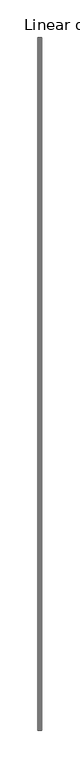
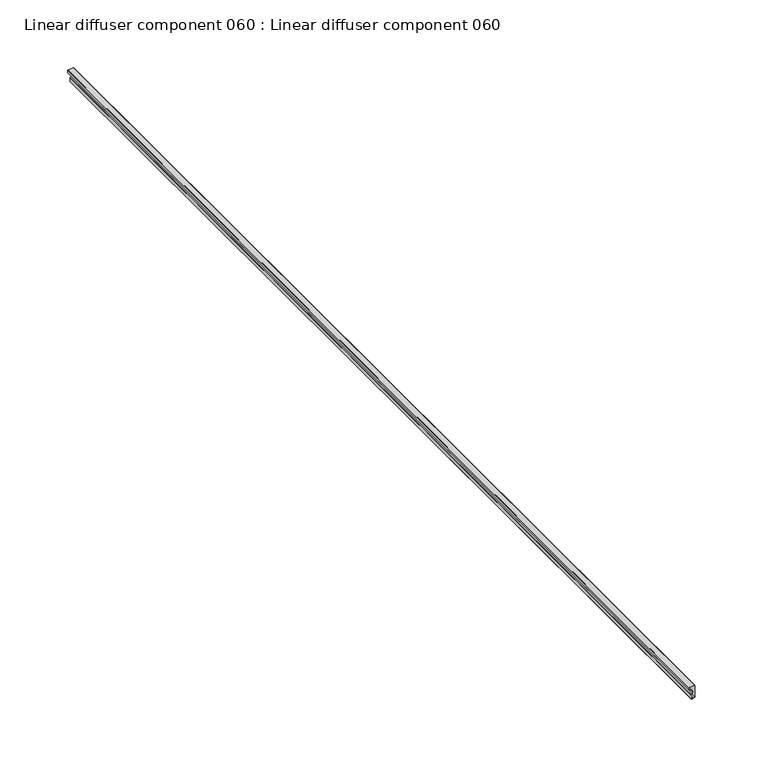
"""IFC4 building model written with IfcOpenShell, lengths in millimetres: proxy geometry, Linear diffuser component 060 : Linear diffuser component 060."""

from ifc_helpers import new_model, si_unit, origin, place, context, project, spatial, triangles, source, transform, mapped, element, save


def linear_diffuser_component_060_linear_diffuser_component_060_1bf786c4(model_context):
    return source(origin(), model_context, "Body", "Tessellation", [
        triangles([(37372.2606995, -19576.8259827, 2979.0225243), (37372.2606995, -18662.4259827, 2979.0225243), (37372.4885925, -18662.4259827, 2978.7042297), (37372.4885925, -19576.8259827, 2978.7042297), (37372.1002441, -18662.4259827, 2978.7042297), (37372.1002441, -19576.8259827, 2978.7042297), (37372.1002441, -18662.4259827, 2975.350074), (37372.1002441, -19576.8259827, 2975.350074), (37372.490918, -19576.8259827, 2974.9620163), (37372.490918, -18662.4259827, 2974.9620163), (37373.5164368, -18662.4259827, 2974.9620163), (37373.5164368, -19576.8259827, 2974.9620163), (37373.5164368, -18662.4259827, 2975.7407478), (37373.5164368, -19576.8259827, 2975.7407478), (37375.1093628, -18662.4259827, 2975.7407478), (37375.1093628, -19576.8259827, 2975.7407478), (37375.1093628, -18662.4259827, 2985.7599037), (37375.1093628, -19576.8259827, 2985.7599037), (37375.2256348, -19576.8259827, 2985.7599037), (37375.2256348, -18662.4259827, 2985.7599037), (37375.2256348, -18662.4259827, 2986.5354378), (37375.2256348, -19576.8259827, 2986.5354378), (37370.5515015, -18662.4259827, 2986.5354378), (37370.5515015, -19576.8259827, 2986.5354378), (37370.5515015, -18662.4259827, 2986.1473801), (37370.5515015, -19576.8259827, 2986.1473801), (37370.1631531, -18662.4259827, 2986.1473801), (37370.1631531, -19576.8259827, 2986.1473801), (37370.1631531, -18662.4259827, 2984.173082), (37370.1631531, -19576.8259827, 2984.173082), (37370.5724304, -19576.8259827, 2983.8550781), (37370.5724304, -18662.4259827, 2983.8550781), (37372.5885864, -18662.4259827, 2983.0228615), (37372.5885864, -19576.8259827, 2983.0228615), (37373.3583069, -18662.4259827, 2981.1607658), (37373.3583069, -19576.8259827, 2981.1607658), (37373.067627, -18662.4259827, 2979.959095), (37373.067627, -19576.8259827, 2979.959095)], [[4, 1, 2], [2, 3, 4], [6, 4, 5], [3, 5, 4], [8, 6, 5], [5, 7, 8], [12, 9, 10], [10, 11, 12], [14, 12, 11], [11, 13, 14], [16, 14, 13], [13, 15, 16], [18, 16, 17], [15, 17, 16], [22, 19, 20], [20, 21, 22], [24, 22, 23], [21, 23, 22], [26, 24, 25], [23, 25, 24], [28, 26, 25], [25, 27, 28], [30, 28, 29], [27, 29, 28], [34, 31, 32], [32, 33, 34], [36, 34, 35], [33, 35, 34], [38, 36, 37], [35, 37, 36], [1, 38, 37], [37, 2, 1]], closed=False),
    ])


if __name__ == "__main__":
    model = new_model("IFC4")
    model_context = context("Model", 3, world=origin())
    ifc_project = project(units=[si_unit("LENGTHUNIT", "METRE", prefix="MILLI")], contexts=[model_context])
    site = spatial("IfcSite", under=ifc_project)
    building = spatial("IfcBuilding", under=site)
    placement = place(None, origin())
    linear_diffuser_component_060_linear_diffuser_component_060_shape = linear_diffuser_component_060_linear_diffuser_component_060_1bf786c4(model_context)
    element("IfcBuildingElementProxy", 1, Name="Linear diffuser component 060 : Linear diffuser component 060", ObjectType="Linear diffuser component 060 : Linear diffuser component 060", at=placement, inside=building, context=model_context, shape_type="MappedRepresentation", body=[
        mapped(linear_diffuser_component_060_linear_diffuser_component_060_shape, transform((0.0, 0.0, 0.0), x_axis=(1.0, 0.0, 0.0), y_axis=(0.0, 1.0, 0.0), z_axis=(0.0, 0.0, 1.0))),
    ])
    save(model, "model.ifc")
